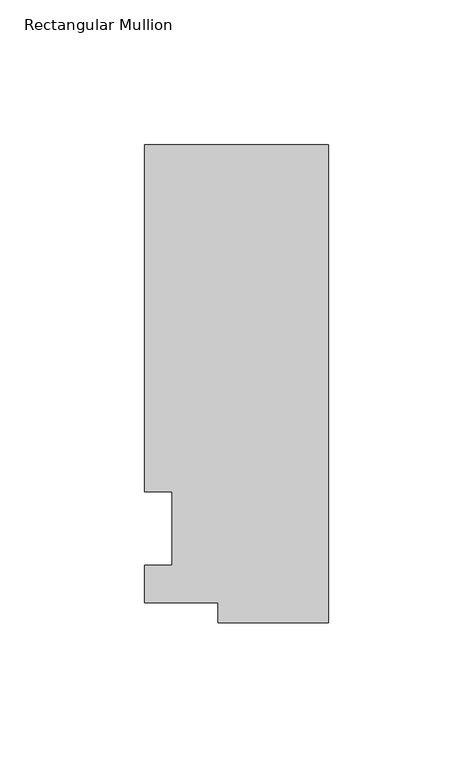
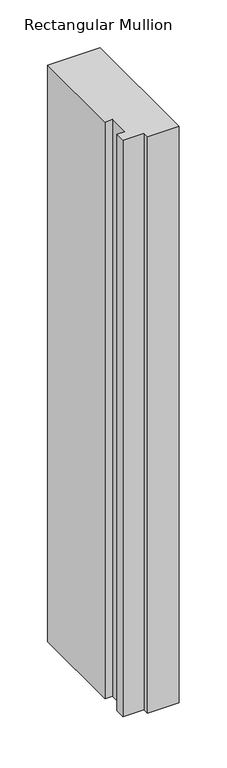
"""IFC4 building model written with IfcOpenShell, lengths in millimetres: member geometry, Rectangular Mullion."""

import ifcopenshell
import ifcopenshell.guid

model = None  # the IFC model being written
_history = None  # IfcOwnerHistory: only IFC2X3 demands one
_inside = {}  # id of a spatial element -> (the spatial element, [elements in it])
_under = {}  # id of a project, library or spatial element -> (it, [spatial elements below it])
_declared = {}  # id of a project -> (the project, [libraries it declares])
_typed = {}  # id of a type object -> (the type object, [elements of that type])
_made_of = {}  # id of a material, layer set ... -> (it, [elements and type objects made of it])


def new_model(schema):
    """Start an empty IFC model of exactly this schema.

    Asked for "IFC4X3", IfcOpenShell would pick the latest addendum, in which some entities
    have other attributes; the version numbers below select the first issue.
    IFC2X3 requires an IfcOwnerHistory on every rooted entity: one is made here for all.
    """
    global model, _history
    if schema == "IFC4X3":
        model = ifcopenshell.file(schema_version=(4, 3, 0, 0))
    else:
        model = ifcopenshell.file(schema=schema)
    _inside.clear()
    _under.clear()
    _declared.clear()
    _typed.clear()
    _made_of.clear()
    _history = None
    if model.schema == "IFC2X3":
        org = make("IfcOrganization", Name="unknown")
        user = make(
            "IfcPersonAndOrganization",
            ThePerson=make("IfcPerson", FamilyName="unknown"),
            TheOrganization=org,
        )
        app = make(
            "IfcApplication",
            ApplicationDeveloper=org,
            Version="unknown",
            ApplicationFullName="unknown",
            ApplicationIdentifier="unknown",
        )
        _history = make(
            "IfcOwnerHistory",
            OwningUser=user,
            OwningApplication=app,
            ChangeAction="ADDED",
            CreationDate=0,
        )
    return model


def make(cls, **values):
    """One entity of the class cls with the attributes given. An attribute that is None is left unset."""
    return model.create_entity(
        cls, **{name: value for name, value in values.items() if value is not None}
    )


def rooted(cls, **values):
    """An entity with a GlobalId (a new one), such as an element, a storey or a relation."""
    return make(cls, GlobalId=ifcopenshell.guid.new(), OwnerHistory=_history, **values)


def si_unit(unit_type, name, prefix=None):
    """IfcSIUnit, for example si_unit("LENGTHUNIT", "METRE", prefix="MILLI")."""
    return make("IfcSIUnit", UnitType=unit_type, Prefix=prefix, Name=name)


def assignment(units):
    """IfcUnitAssignment: the units of a project."""
    return None if units is None else make("IfcUnitAssignment", Units=units)


def point(xyz):
    """IfcCartesianPoint."""
    return None if xyz is None else make("IfcCartesianPoint", Coordinates=xyz)


def direction(xyz):
    """IfcDirection."""
    return None if xyz is None else make("IfcDirection", DirectionRatios=xyz)


def frame(location, z_axis=None, x_axis=None):
    """IfcAxis2Placement3D, a coordinate frame: its origin and axes. An axis left out is left unset."""
    return make(
        "IfcAxis2Placement3D",
        Location=point(location),
        Axis=direction(z_axis),
        RefDirection=direction(x_axis),
    )


def origin():
    """The frame at (0, 0, 0) with its axes left unset."""
    return frame((0.0, 0.0, 0.0))


def place(relative_to, where):
    """IfcLocalPlacement: puts the frame where relative to a parent placement (None: the world)."""
    return make(
        "IfcLocalPlacement", PlacementRelTo=relative_to, RelativePlacement=where
    )


def context(
    kind, dimensions, precision=None, world=None, true_north=None, identifier=None
):
    """IfcGeometricRepresentationContext, for example the 3D "Model" context."""
    return make(
        "IfcGeometricRepresentationContext",
        ContextIdentifier=identifier,
        ContextType=kind,
        CoordinateSpaceDimension=dimensions,
        Precision=precision,
        WorldCoordinateSystem=world,
        TrueNorth=true_north,
    )


def project(units=None, contexts=None):
    """IfcProject with its units and contexts."""
    return rooted(
        "IfcProject",
        Name="project",
        RepresentationContexts=contexts,
        UnitsInContext=assignment(units),
    )


def spatial(cls, under=None, at=None, **own):
    """A site, building, storey or space (cls), placed at a placement, below another one or the project."""
    s = rooted(cls, ObjectPlacement=at, **own)
    if under is not None:
        _under.setdefault(under.id(), (under, []))[1].append(s)
    return s


def polyline(points):
    """IfcPolyline through the points."""
    return make("IfcPolyline", Points=[point(p) for p in points])


def outline(outer, holes=None, kind="AREA"):
    """IfcArbitraryClosedProfileDef: a profile drawn as a closed curve; with holes, ...WithVoids."""
    if holes is None:
        return make("IfcArbitraryClosedProfileDef", ProfileType=kind, OuterCurve=outer)
    return make(
        "IfcArbitraryProfileDefWithVoids",
        ProfileType=kind,
        OuterCurve=outer,
        InnerCurves=holes,
    )


def extrude(swept, where, along, depth):
    """IfcExtrudedAreaSolid: the profile swept, set in the frame where, extruded along a direction by depth."""
    return make(
        "IfcExtrudedAreaSolid",
        SweptArea=swept,
        Position=where,
        ExtrudedDirection=direction(along),
        Depth=depth,
    )


def shape(context_of_items, identifier, shape_type, items):
    """IfcShapeRepresentation: the items that make up one representation, for example the "Body"."""
    return make(
        "IfcShapeRepresentation",
        ContextOfItems=context_of_items,
        RepresentationIdentifier=identifier,
        RepresentationType=shape_type,
        Items=items,
    )


def source(mapping_origin, context_of_items, identifier, shape_type, items):
    """IfcRepresentationMap: a shape defined once, which mapped items show again and again."""
    return make(
        "IfcRepresentationMap",
        MappingOrigin=mapping_origin,
        MappedRepresentation=shape(context_of_items, identifier, shape_type, items),
    )


def transform(
    local_origin,
    x_axis=None,
    y_axis=None,
    z_axis=None,
    scale=None,
    scale2=None,
    scale3=None,
    uniform=True,
):
    """IfcCartesianTransformationOperator3D, or its non-uniform kind. x_axis, y_axis, z_axis: its Axis1, 2, 3."""
    if uniform:
        return make(
            "IfcCartesianTransformationOperator3D",
            Axis1=direction(x_axis),
            Axis2=direction(y_axis),
            LocalOrigin=point(local_origin),
            Scale=scale,
            Axis3=direction(z_axis),
        )
    return make(
        "IfcCartesianTransformationOperator3DnonUniform",
        Axis1=direction(x_axis),
        Axis2=direction(y_axis),
        LocalOrigin=point(local_origin),
        Scale=scale,
        Axis3=direction(z_axis),
        Scale2=scale2,
        Scale3=scale3,
    )


def mapped(mapping_source, mapping_target):
    """IfcMappedItem: shows the shape of a source again, moved by a transform."""
    return make(
        "IfcMappedItem", MappingSource=mapping_source, MappingTarget=mapping_target
    )


def made_of(thing, what):
    """Note that an element or type object is made of a material, layer set ...; save() writes the relation."""
    if what is not None:
        _made_of.setdefault(what.id(), (what, []))[1].append(thing)
    return thing


def element(
    cls,
    number,
    at=None,
    inside=None,
    cuts=None,
    type_object=None,
    material=None,
    context=None,
    identifier="Body",
    shape_type=None,
    held_by="IfcProductDefinitionShape",
    body=None,
    shapes=None,
    **own,
):
    """One element of the class cls, such as IfcWall. Its Tag is "e" and its number.

    at: its placement. inside: the storey or other place that contains it. cuts: it is an
    opening in that element (IfcRelVoidsElement). A single representation is given by context,
    identifier, shape_type and body (its items); several are given by shapes. held_by: the class
    of the entity that holds the representations. save() writes the other relations.
    """
    e = rooted(cls, Tag="e%d" % number, ObjectPlacement=at, **own)
    if body is not None:
        shapes = [shape(context, identifier, shape_type, body)]
    if shapes is not None:
        e.Representation = make(held_by, Representations=shapes)
    if inside is not None:
        _inside.setdefault(inside.id(), (inside, []))[1].append(e)
    if cuts is not None:
        rooted(
            "IfcRelVoidsElement", RelatingBuildingElement=cuts, RelatedOpeningElement=e
        )
    if type_object is not None:
        _typed.setdefault(type_object.id(), (type_object, []))[1].append(e)
    return made_of(e, material)


def aggregate(whole, parts):
    """IfcRelAggregates: a whole, such as a stair, and the parts it consists of."""
    return rooted("IfcRelAggregates", RelatingObject=whole, RelatedObjects=parts)


def save(model, path):
    """Write the relations noted so far, then the file.

    IfcRelAggregates (storeys below a building ...), IfcRelContainedInSpatialStructure (elements
    in a storey), IfcRelDefinesByType, IfcRelAssociatesMaterial and IfcRelDeclares: one each for
    every whole, place, type object, material and project.
    """
    for whole, parts in _under.values():
        aggregate(whole, parts)
    for where, things in _inside.values():
        rooted(
            "IfcRelContainedInSpatialStructure",
            RelatedElements=things,
            RelatingStructure=where,
        )
    for kind, things in _typed.values():
        rooted("IfcRelDefinesByType", RelatedObjects=things, RelatingType=kind)
    for what, things in _made_of.values():
        rooted("IfcRelAssociatesMaterial", RelatedObjects=things, RelatingMaterial=what)
    for by, libraries in _declared.values():
        rooted("IfcRelDeclares", RelatingContext=by, RelatedDefinitions=libraries)
    model.write(path)


def rectangular_mullion_3a1aa6bd(model_context):
    return source(origin(), model_context, "Body", "SweptSolid", [
        extrude(outline(polyline([(-38.1, -32.54375), (-38.1, -25.58415), (-63.5, -25.58415), (-63.5, -12.7), (-53.975, -12.7), (-53.975, 12.7), (-63.5, 12.7), (-63.5, 132.55625), (0.0, 132.55625), (0.0, -32.54375), (-38.1, -32.54375)])), frame((0.0, 0.0, -736.6), z_axis=(0.0, 0.0, 1.0), x_axis=(1.0, 0.0, 0.0)), (0.0, 0.0, 1.0), 736.6),
    ])


if __name__ == "__main__":
    model = new_model("IFC4")
    model_context = context("Model", 3, world=origin())
    ifc_project = project(units=[si_unit("LENGTHUNIT", "METRE", prefix="MILLI")], contexts=[model_context])
    site = spatial("IfcSite", under=ifc_project)
    building = spatial("IfcBuilding", under=site)
    placement = place(None, origin())
    rectangular_mullion_shape = rectangular_mullion_3a1aa6bd(model_context)
    element("IfcMember", 1, ObjectType="Rectangular Mullion", at=placement, inside=building, context=model_context, shape_type="MappedRepresentation", body=[
        mapped(rectangular_mullion_shape, transform((0.0, 0.0, 0.0), x_axis=(1.0, 0.0, 0.0), y_axis=(0.0, 1.0, 0.0), z_axis=(0.0, 0.0, 1.0))),
    ])
    save(model, "model.ifc")
